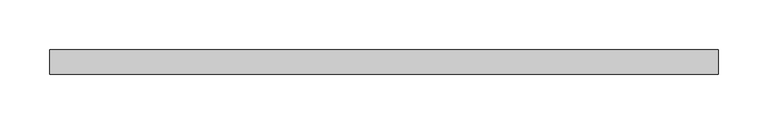
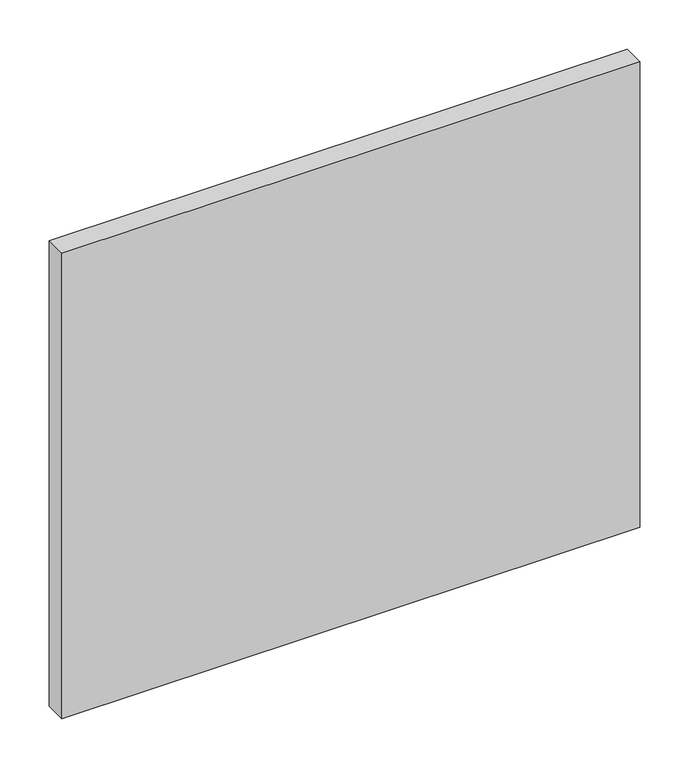
"""IFC4 building model written with IfcOpenShell, lengths in millimetres: plate geometry."""

from ifc_helpers import new_model, si_unit, origin, origin_with_axes, place, context, project, spatial, polyline, outline, extrude, source, transform, mapped, element, save


def plate_278ff856(model_context):
    return source(origin(), model_context, "Body", "SweptSolid", [
        extrude(outline(polyline([(337.5, -12.5), (-337.5, -12.5), (-337.5, 12.5), (337.5, 12.5), (337.5, -12.5)])), origin_with_axes(), (0.0, 0.0, 1.0), 575.0),
    ])


if __name__ == "__main__":
    model = new_model("IFC4")
    model_context = context("Model", 3, world=origin())
    ifc_project = project(units=[si_unit("LENGTHUNIT", "METRE", prefix="MILLI")], contexts=[model_context])
    site = spatial("IfcSite", under=ifc_project)
    building = spatial("IfcBuilding", under=site)
    placement = place(None, origin())
    plate_shape = plate_278ff856(model_context)
    element("IfcPlate", 1, at=placement, inside=building, context=model_context, shape_type="MappedRepresentation", body=[
        mapped(plate_shape, transform((0.0, 0.0, 0.0), x_axis=(1.0, 0.0, 0.0), y_axis=(0.0, 1.0, 0.0), z_axis=(0.0, 0.0, 1.0))),
    ])
    save(model, "model.ifc")
